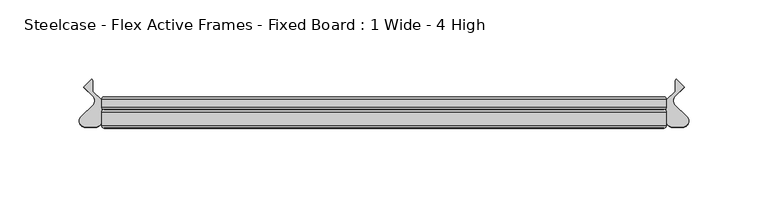
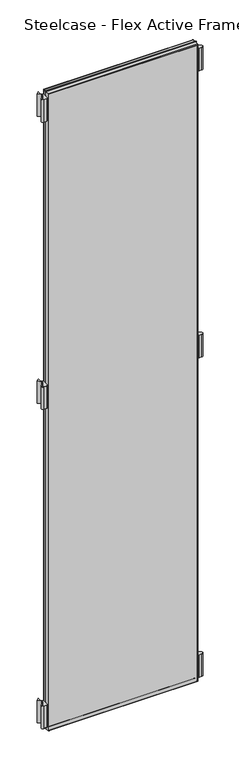
"""IFC4 building model written with IfcOpenShell, lengths in millimetres: furniture geometry, Steelcase - Flex Active Frames - Fixed Board : 1 Wide - 4 High."""

from ifc_helpers import new_model, si_unit, point, frame, frame_2d, origin, place, context, project, spatial, polyline, circle_curve, ellipse_curve, trimmed, segment, composite_curve, outline, extrude, source, transform, mapped, element, save
from ifc_brep_helpers import plane_surface, cylinder_surface, advanced_brep


def steelcase_flex_active_frames_fixed_board_1_wide_4_high_b1b8482d(model_context):
    return source(origin(), model_context, "Body", "SolidModel", [
        extrude(outline(composite_curve([segment(trimmed(circle_curve(frame_2d((366.4236763, -15.2513959)), 3.81), [point((369.1158703, -12.5554375))], [point((366.4236713, -19.0613959))], False, "CARTESIAN"), True, "CONTINUOUS"), segment(polyline([(366.4236713, -19.0613959), (359.917995, -19.0613873)]), True, "CONTINUOUS"), segment(trimmed(circle_curve(frame_2d((359.918, -15.2513873)), 3.81), [point((359.917995, -19.0613873))], [point((356.108, -15.2513873))], False, "CARTESIAN"), True, "CONTINUOUS"), segment(polyline([(356.108, -15.2513873), (356.108, -2.0686095), (361.6103592, 3.4250486), (361.6103592, 10.299411), (362.3163238, 11.2027231), (367.2700919, 6.2470172), (361.5330632, 0.3149559)]), True, "CONTINUOUS"), segment(trimmed(circle_curve(frame_2d((364.2717853, -2.3337233)), 3.81), [point((361.5330632, 0.3149559))], [point((361.5795914, -5.0296817))], True, "CARTESIAN"), True, "CONTINUOUS"), segment(polyline([(361.5795914, -5.0296817), (369.1158703, -12.5554375)]), True, "CONTINUOUS")], self_intersect=False)), frame((0.0, 0.0, 811.4997887), z_axis=(0.0, 0.0, 1.0), x_axis=(1.0, 0.0, 0.0)), (0.0, 0.0, 1.0), 55.9983261),
        extrude(outline(composite_curve([segment(polyline([(-13.0078703, -12.5554375), (-5.4715914, -5.0296817)]), True, "CONTINUOUS"), segment(trimmed(circle_curve(frame_2d((-8.1637853, -2.3337233)), 3.81), [point((-5.4715914, -5.0296817))], [point((-5.4250632, 0.3149559))], True, "CARTESIAN"), True, "CONTINUOUS"), segment(polyline([(-5.4250632, 0.3149559), (-11.1620919, 6.2470172), (-6.2083238, 11.2027231), (-5.5023592, 10.299411), (-5.5023592, 3.4250486), (0.0, -2.0686095), (0.0, -15.2513873)]), True, "CONTINUOUS"), segment(trimmed(circle_curve(frame_2d((-3.81, -15.2513873)), 3.81), [point((0.0, -15.2513873))], [point((-3.809995, -19.0613873))], False, "CARTESIAN"), True, "CONTINUOUS"), segment(polyline([(-3.809995, -19.0613873), (-10.3156713, -19.0613959)]), True, "CONTINUOUS"), segment(trimmed(circle_curve(frame_2d((-10.3156763, -15.2513959)), 3.81), [point((-10.3156713, -19.0613959))], [point((-13.0078703, -12.5554375))], False, "CARTESIAN"), True, "CONTINUOUS")], self_intersect=False)), frame((0.0, 0.0, 811.4997887), z_axis=(0.0, 0.0, 1.0), x_axis=(1.0, 0.0, 0.0)), (0.0, 0.0, 1.0), 55.9983261),
        extrude(outline(composite_curve([segment(trimmed(circle_curve(frame_2d((366.4236763, -15.2513959)), 3.81), [point((369.1158703, -12.5554375))], [point((366.4236713, -19.0613959))], False, "CARTESIAN"), True, "CONTINUOUS"), segment(polyline([(366.4236713, -19.0613959), (359.917995, -19.0613873)]), True, "CONTINUOUS"), segment(trimmed(circle_curve(frame_2d((359.918, -15.2513873)), 3.81), [point((359.917995, -19.0613873))], [point((356.108, -15.2513873))], False, "CARTESIAN"), True, "CONTINUOUS"), segment(polyline([(356.108, -15.2513873), (356.108, -2.0686095), (361.6103592, 3.4250486), (361.6103592, 10.299411), (362.3163238, 11.2027231), (367.2700919, 6.2470172), (361.5330632, 0.3149559)]), True, "CONTINUOUS"), segment(trimmed(circle_curve(frame_2d((364.2717853, -2.3337233)), 3.81), [point((361.5330632, 0.3149559))], [point((361.5795914, -5.0296817))], True, "CARTESIAN"), True, "CONTINUOUS"), segment(polyline([(361.5795914, -5.0296817), (369.1158703, -12.5554375)]), True, "CONTINUOUS")], self_intersect=False)), frame((0.0, 0.0, 9.5000015), z_axis=(0.0, 0.0, 1.0), x_axis=(1.0, 0.0, 0.0)), (0.0, 0.0, 1.0), 55.9983261),
        extrude(outline(composite_curve([segment(trimmed(circle_curve(frame_2d((366.4236763, -15.2513959)), 3.81), [point((369.1158703, -12.5554375))], [point((366.4236713, -19.0613959))], False, "CARTESIAN"), True, "CONTINUOUS"), segment(polyline([(366.4236713, -19.0613959), (359.917995, -19.0613873)]), True, "CONTINUOUS"), segment(trimmed(circle_curve(frame_2d((359.918, -15.2513873)), 3.81), [point((359.917995, -19.0613873))], [point((356.108, -15.2513873))], False, "CARTESIAN"), True, "CONTINUOUS"), segment(polyline([(356.108, -15.2513873), (356.108, -2.0686095), (361.6103592, 3.4250486), (361.6103592, 10.299411), (362.3163238, 11.2027231), (367.2700919, 6.2470172), (361.5330632, 0.3149559)]), True, "CONTINUOUS"), segment(trimmed(circle_curve(frame_2d((364.2717853, -2.3337233)), 3.81), [point((361.5330632, 0.3149559))], [point((361.5795914, -5.0296817))], True, "CARTESIAN"), True, "CONTINUOUS"), segment(polyline([(361.5795914, -5.0296817), (369.1158703, -12.5554375)]), True, "CONTINUOUS")], self_intersect=False)), frame((0.0, 0.0, 1532.4476006), z_axis=(0.0, 0.0, 1.0), x_axis=(1.0, 0.0, 0.0)), (0.0, 0.0, 1.0), 55.9983261),
        extrude(outline(composite_curve([segment(polyline([(-13.0078703, -12.5554375), (-5.4715914, -5.0296817)]), True, "CONTINUOUS"), segment(trimmed(circle_curve(frame_2d((-8.1637853, -2.3337233)), 3.81), [point((-5.4715914, -5.0296817))], [point((-5.4250632, 0.3149559))], True, "CARTESIAN"), True, "CONTINUOUS"), segment(polyline([(-5.4250632, 0.3149559), (-11.1620919, 6.2470172), (-6.2083238, 11.2027231), (-5.5023592, 10.299411), (-5.5023592, 3.4250486), (0.0, -2.0686095), (0.0, -15.2513873)]), True, "CONTINUOUS"), segment(trimmed(circle_curve(frame_2d((-3.81, -15.2513873)), 3.81), [point((0.0, -15.2513873))], [point((-3.809995, -19.0613873))], False, "CARTESIAN"), True, "CONTINUOUS"), segment(polyline([(-3.809995, -19.0613873), (-10.3156713, -19.0613959)]), True, "CONTINUOUS"), segment(trimmed(circle_curve(frame_2d((-10.3156763, -15.2513959)), 3.81), [point((-10.3156713, -19.0613959))], [point((-13.0078703, -12.5554375))], False, "CARTESIAN"), True, "CONTINUOUS")], self_intersect=False)), frame((0.0, 0.0, 9.5000015), z_axis=(0.0, 0.0, 1.0), x_axis=(1.0, 0.0, 0.0)), (0.0, 0.0, 1.0), 55.9983261),
        extrude(outline(composite_curve([segment(polyline([(-13.0078703, -12.5554375), (-5.4715914, -5.0296817)]), True, "CONTINUOUS"), segment(trimmed(circle_curve(frame_2d((-8.1637853, -2.3337233)), 3.81), [point((-5.4715914, -5.0296817))], [point((-5.4250632, 0.3149559))], True, "CARTESIAN"), True, "CONTINUOUS"), segment(polyline([(-5.4250632, 0.3149559), (-11.1620919, 6.2470172), (-6.2083238, 11.2027231), (-5.5023592, 10.299411), (-5.5023592, 3.4250486), (0.0, -2.0686095), (0.0, -15.2513873)]), True, "CONTINUOUS"), segment(trimmed(circle_curve(frame_2d((-3.81, -15.2513873)), 3.81), [point((0.0, -15.2513873))], [point((-3.809995, -19.0613873))], False, "CARTESIAN"), True, "CONTINUOUS"), segment(polyline([(-3.809995, -19.0613873), (-10.3156713, -19.0613959)]), True, "CONTINUOUS"), segment(trimmed(circle_curve(frame_2d((-10.3156763, -15.2513959)), 3.81), [point((-10.3156713, -19.0613959))], [point((-13.0078703, -12.5554375))], False, "CARTESIAN"), True, "CONTINUOUS")], self_intersect=False)), frame((0.0, 0.0, 1532.4476006), z_axis=(0.0, 0.0, 1.0), x_axis=(1.0, 0.0, 0.0)), (0.0, 0.0, 1.0), 55.9983261),
        extrude(outline(polyline([(354.6079947, -19.7016999), (1.5000053, -19.7016999), (1.5000053, -8.0000171), (354.6079947, -8.0000171), (354.6079947, -19.7016999)])), frame((0.0, 0.0, 1.5000053), z_axis=(0.0, 0.0, 1.0), x_axis=(1.0, 0.0, 0.0)), (0.0, 0.0, 1.0), 1596.9459893),
        advanced_brep(
        [(0.0, -9.5000224, 1599.946), (1.5000053, -8.0000171, 1598.4459947), (1.5000053, -8.0000171, 1.5000053), (0.0, -9.5000224, 0.0), (0.0, -18.2016946, 1599.946), (0.0, -18.2016946, 0.0), (1.5000053, -19.7016999, 1598.4459947), (1.5000053, -19.7016999, 1.5000053), (354.6079947, -8.0000171, 1.5000053), (356.108, -9.5000224, 0.0), (356.108, -18.2016946, 0.0), (354.6079947, -19.7016999, 1.5000053), (354.6079947, -8.0000171, 1598.4459947), (356.108, -9.5000224, 1599.946), (356.108, -18.2016946, 1599.946), (354.6079947, -19.7016999, 1598.4459947)],
        [
            (0, 1, ellipse_curve(frame((1.5000053, -9.5000224, 1598.4459947), z_axis=(-0.7071067811865475, 0.0, -0.7071067811865475), x_axis=(-0.7071067811865474, 0.0, 0.7071067811865476)), 2.1213279, 1.5000053)),
            (1, 2),
            (2, 3, ellipse_curve(frame((1.5000053, -9.5000224, 1.5000053), z_axis=(-0.7071067811865475, 0.0, 0.7071067811865475), x_axis=(0.7071067811865474, 0.0, 0.7071067811865476)), 2.1213279, 1.5000053)),
            (3, 0),
            (4, 0),
            (3, 5),
            (5, 4),
            (1, 6),
            (6, 7),
            (7, 2),
            (2, 8),
            (8, 9, ellipse_curve(frame((354.6079947, -9.5000224, 1.5000053), z_axis=(-0.7071067811865475, 0.0, -0.7071067811865475), x_axis=(-0.7071067811865476, 0.0, 0.7071067811865474)), 2.1213279, 1.5000053)),
            (9, 3),
            (9, 10),
            (10, 5),
            (7, 11),
            (11, 8),
            (8, 12),
            (12, 13, ellipse_curve(frame((354.6079947, -9.5000224, 1598.4459947), z_axis=(0.7071067811865475, 0.0, -0.7071067811865475), x_axis=(-0.7071067811865474, 0.0, -0.7071067811865476)), 2.1213279, 1.5000053)),
            (13, 9),
            (13, 14),
            (14, 10),
            (11, 15),
            (15, 12),
            (12, 1),
            (0, 13),
            (4, 14),
            (15, 6),
            (6, 4, ellipse_curve(frame((1.5000053, -18.2016946, 1598.4459947), z_axis=(-0.7071067811865475, 0.0, -0.7071067811865475), x_axis=(-0.7071067811865474, 0.0, 0.7071067811865476)), 2.1213279, 1.5000053)),
            (5, 7, ellipse_curve(frame((1.5000053, -18.2016946, 1.5000053), z_axis=(-0.7071067811865475, 0.0, 0.7071067811865475), x_axis=(0.7071067811865474, 0.0, 0.7071067811865476)), 2.1213279, 1.5000053)),
            (10, 11, ellipse_curve(frame((354.6079947, -18.2016946, 1.5000053), z_axis=(-0.7071067811865475, 0.0, -0.7071067811865475), x_axis=(-0.7071067811865476, 0.0, 0.7071067811865474)), 2.1213279, 1.5000053)),
            (14, 15, ellipse_curve(frame((354.6079947, -18.2016946, 1598.4459947), z_axis=(0.7071067811865475, 0.0, -0.7071067811865475), x_axis=(-0.7071067811865474, 0.0, -0.7071067811865476)), 2.1213279, 1.5000053)),
        ],
        [
            cylinder_surface(frame((1.5000053, -9.5000224, 1599.946), z_axis=(0.0, 0.0, 1.0), x_axis=(1.0, 0.0, 0.0)), 1.5000053),
            plane_surface(frame((0.0, -9.5000224, 1599.946), z_axis=(-1.0, 0.0, 0.0), x_axis=(0.0, 0.0, -1.0))),
            plane_surface(frame((1.5000053, -19.7016999, 1598.4459947), z_axis=(1.0, 0.0, 0.0), x_axis=(0.0, 0.0, -1.0))),
            cylinder_surface(frame((0.0, -9.5000224, 1.5000053), z_axis=(-1.0, 0.0, 0.0), x_axis=(0.0, 0.0, 1.0)), 1.5000053),
            plane_surface(frame((0.0, -9.5000224, 0.0), z_axis=(0.0, 0.0, -1.0), x_axis=(1.0, 0.0, 0.0))),
            plane_surface(frame((1.5000053, -19.7016999, 1.5000053), z_axis=(0.0, 0.0, 1.0), x_axis=(1.0, 0.0, 0.0))),
            cylinder_surface(frame((354.6079947, -9.5000224, 0.0), z_axis=(0.0, 0.0, -1.0), x_axis=(-1.0, 0.0, 0.0)), 1.5000053),
            plane_surface(frame((356.108, -9.5000224, 0.0), z_axis=(1.0, 0.0, 0.0), x_axis=(0.0, 0.0, 1.0))),
            plane_surface(frame((354.6079947, -19.7016999, 1.5000053), z_axis=(-1.0, 0.0, 0.0), x_axis=(0.0, 0.0, 1.0))),
            cylinder_surface(frame((356.108, -9.5000224, 1598.4459947), z_axis=(1.0, 0.0, 0.0), x_axis=(0.0, 0.0, -1.0)), 1.5000053),
            plane_surface(frame((356.108, -9.5000224, 1599.946), z_axis=(0.0, 0.0, 1.0), x_axis=(-1.0, 0.0, 0.0))),
            plane_surface(frame((354.6079947, -19.7016999, 1598.4459947), z_axis=(0.0, 0.0, -1.0), x_axis=(-1.0, 0.0, 0.0))),
            cylinder_surface(frame((1.5000053, -18.2016946, 1599.946), z_axis=(0.0, 0.0, 1.0), x_axis=(1.0, 0.0, 0.0)), 1.5000053),
            cylinder_surface(frame((0.0, -18.2016946, 1.5000053), z_axis=(-1.0, 0.0, 0.0), x_axis=(0.0, 0.0, 1.0)), 1.5000053),
            cylinder_surface(frame((354.6079947, -18.2016946, 0.0), z_axis=(0.0, 0.0, -1.0), x_axis=(-1.0, 0.0, 0.0)), 1.5000053),
            cylinder_surface(frame((356.108, -18.2016946, 1598.4459947), z_axis=(1.0, 0.0, 0.0), x_axis=(0.0, 0.0, -1.0)), 1.5000053),
        ],
        [
            (0, [[1, 2, 3, 4]]),
            (1, [[5, -4, 6, 7]]),
            (2, [[8, 9, 10, -2]]),
            (3, [[-3, 11, 12, 13]]),
            (4, [[-6, -13, 14, 15]]),
            (5, [[-10, 16, 17, -11]]),
            (6, [[-12, 18, 19, 20]]),
            (7, [[-14, -20, 21, 22]]),
            (8, [[-17, 23, 24, -18]]),
            (9, [[-19, 25, -1, 26]]),
            (10, [[-21, -26, -5, 27]]),
            (11, [[-24, 28, -8, -25]]),
            (12, [[29, -7, 30, -9]]),
            (13, [[-30, -15, 31, -16]]),
            (14, [[-31, -22, 32, -23]]),
            (15, [[-32, -27, -29, -28]]),
        ],
    ),
        extrude(outline(polyline([(354.6079947, -8.0000171), (1.5000053, -8.0000171), (1.5000053, 0.0), (354.6079947, 0.0), (354.6079947, -8.0000171)])), frame((0.0, 0.0, 1.5000053), z_axis=(0.0, 0.0, 1.0), x_axis=(1.0, 0.0, 0.0)), (0.0, 0.0, 1.0), 1596.9459893),
        advanced_brep(
        [(0.0, -1.5000053, 1599.946), (1.5000053, 0.0, 1598.4459947), (1.5000053, 0.0, 1.5000053), (0.0, -1.5000053, 0.0), (0.0, -6.5000117, 1599.946), (0.0, -6.5000117, 0.0), (1.5000053, -8.0000171, 1598.4459947), (1.5000053, -8.0000171, 1.5000053), (354.6079947, 0.0, 1.5000053), (356.108, -1.5000053, 0.0), (356.108, -6.5000117, 0.0), (354.6079947, -8.0000171, 1.5000053), (354.6079947, 0.0, 1598.4459947), (356.108, -1.5000053, 1599.946), (356.108, -6.5000117, 1599.946), (354.6079947, -8.0000171, 1598.4459947)],
        [
            (0, 1, ellipse_curve(frame((1.5000053, -1.5000053, 1598.4459947), z_axis=(-0.7071067811865475, 0.0, -0.7071067811865475), x_axis=(-0.7071067811865474, 0.0, 0.7071067811865476)), 2.1213279, 1.5000053)),
            (1, 2),
            (2, 3, ellipse_curve(frame((1.5000053, -1.5000053, 1.5000053), z_axis=(-0.7071067811865475, 0.0, 0.7071067811865475), x_axis=(0.7071067811865474, 0.0, 0.7071067811865476)), 2.1213279, 1.5000053)),
            (3, 0),
            (4, 0),
            (3, 5),
            (5, 4),
            (6, 4, ellipse_curve(frame((1.5000053, -6.5000117, 1598.4459947), z_axis=(-0.7071067811865475, 0.0, -0.7071067811865475), x_axis=(-0.7071067811865474, 0.0, 0.7071067811865476)), 2.1213279, 1.5000053)),
            (5, 7, ellipse_curve(frame((1.5000053, -6.5000117, 1.5000053), z_axis=(-0.7071067811865475, 0.0, 0.7071067811865475), x_axis=(0.7071067811865474, 0.0, 0.7071067811865476)), 2.1213279, 1.5000053)),
            (7, 6),
            (1, 6),
            (7, 2),
            (2, 8),
            (8, 9, ellipse_curve(frame((354.6079947, -1.5000053, 1.5000053), z_axis=(-0.7071067811865475, 0.0, -0.7071067811865475), x_axis=(-0.7071067811865476, 0.0, 0.7071067811865474)), 2.1213279, 1.5000053)),
            (9, 3),
            (9, 10),
            (10, 5),
            (10, 11, ellipse_curve(frame((354.6079947, -6.5000117, 1.5000053), z_axis=(-0.7071067811865475, 0.0, -0.7071067811865475), x_axis=(-0.7071067811865476, 0.0, 0.7071067811865474)), 2.1213279, 1.5000053)),
            (11, 7),
            (11, 8),
            (8, 12),
            (12, 13, ellipse_curve(frame((354.6079947, -1.5000053, 1598.4459947), z_axis=(0.7071067811865475, 0.0, -0.7071067811865475), x_axis=(-0.7071067811865474, 0.0, -0.7071067811865476)), 2.1213279, 1.5000053)),
            (13, 9),
            (13, 14),
            (14, 10),
            (14, 15, ellipse_curve(frame((354.6079947, -6.5000117, 1598.4459947), z_axis=(0.7071067811865475, 0.0, -0.7071067811865475), x_axis=(-0.7071067811865474, 0.0, -0.7071067811865476)), 2.1213279, 1.5000053)),
            (15, 11),
            (15, 12),
            (12, 1),
            (0, 13),
            (4, 14),
            (6, 15),
        ],
        [
            cylinder_surface(frame((1.5000053, -1.5000053, 1599.946), z_axis=(0.0, 0.0, 1.0), x_axis=(1.0, 0.0, 0.0)), 1.5000053),
            plane_surface(frame((0.0, -1.5000053, 1599.946), z_axis=(-1.0, 0.0, 0.0), x_axis=(0.0, 0.0, -1.0))),
            cylinder_surface(frame((1.5000053, -6.5000117, 1599.946), z_axis=(0.0, 0.0, 1.0), x_axis=(1.0, 0.0, 0.0)), 1.5000053),
            plane_surface(frame((1.5000053, -8.0000171, 1598.4459947), z_axis=(1.0, 0.0, 0.0), x_axis=(0.0, 0.0, -1.0))),
            cylinder_surface(frame((0.0, -1.5000053, 1.5000053), z_axis=(-1.0, 0.0, 0.0), x_axis=(0.0, 0.0, 1.0)), 1.5000053),
            plane_surface(frame((0.0, -1.5000053, 0.0), z_axis=(0.0, 0.0, -1.0), x_axis=(1.0, 0.0, 0.0))),
            cylinder_surface(frame((0.0, -6.5000117, 1.5000053), z_axis=(-1.0, 0.0, 0.0), x_axis=(0.0, 0.0, 1.0)), 1.5000053),
            plane_surface(frame((1.5000053, -8.0000171, 1.5000053), z_axis=(0.0, 0.0, 1.0), x_axis=(1.0, 0.0, 0.0))),
            cylinder_surface(frame((354.6079947, -1.5000053, 0.0), z_axis=(0.0, 0.0, -1.0), x_axis=(-1.0, 0.0, 0.0)), 1.5000053),
            plane_surface(frame((356.108, -1.5000053, 0.0), z_axis=(1.0, 0.0, 0.0), x_axis=(0.0, 0.0, 1.0))),
            cylinder_surface(frame((354.6079947, -6.5000117, 0.0), z_axis=(0.0, 0.0, -1.0), x_axis=(-1.0, 0.0, 0.0)), 1.5000053),
            plane_surface(frame((354.6079947, -8.0000171, 1.5000053), z_axis=(-1.0, 0.0, 0.0), x_axis=(0.0, 0.0, 1.0))),
            cylinder_surface(frame((356.108, -1.5000053, 1598.4459947), z_axis=(1.0, 0.0, 0.0), x_axis=(0.0, 0.0, -1.0)), 1.5000053),
            plane_surface(frame((356.108, -1.5000053, 1599.946), z_axis=(0.0, 0.0, 1.0), x_axis=(-1.0, 0.0, 0.0))),
            cylinder_surface(frame((356.108, -6.5000117, 1598.4459947), z_axis=(1.0, 0.0, 0.0), x_axis=(0.0, 0.0, -1.0)), 1.5000053),
            plane_surface(frame((354.6079947, -8.0000171, 1598.4459947), z_axis=(0.0, 0.0, -1.0), x_axis=(-1.0, 0.0, 0.0))),
        ],
        [
            (0, [[1, 2, 3, 4]]),
            (1, [[5, -4, 6, 7]]),
            (2, [[8, -7, 9, 10]]),
            (3, [[11, -10, 12, -2]]),
            (4, [[-3, 13, 14, 15]]),
            (5, [[-6, -15, 16, 17]]),
            (6, [[-9, -17, 18, 19]]),
            (7, [[-12, -19, 20, -13]]),
            (8, [[-14, 21, 22, 23]]),
            (9, [[-16, -23, 24, 25]]),
            (10, [[-18, -25, 26, 27]]),
            (11, [[-20, -27, 28, -21]]),
            (12, [[-22, 29, -1, 30]]),
            (13, [[-24, -30, -5, 31]]),
            (14, [[-26, -31, -8, 32]]),
            (15, [[-28, -32, -11, -29]]),
        ],
    ),
    ])


if __name__ == "__main__":
    model = new_model("IFC4")
    model_context = context("Model", 3, world=origin())
    ifc_project = project(units=[si_unit("LENGTHUNIT", "METRE", prefix="MILLI")], contexts=[model_context])
    site = spatial("IfcSite", under=ifc_project)
    building = spatial("IfcBuilding", under=site)
    placement = place(None, origin())
    steelcase_flex_active_frames_fixed_board_1_wide_4_high_shape = steelcase_flex_active_frames_fixed_board_1_wide_4_high_b1b8482d(model_context)
    element("IfcFurniture", 1, ObjectType="Steelcase - Flex Active Frames - Fixed Board : 1 Wide - 4 High", at=placement, inside=building, context=model_context, shape_type="MappedRepresentation", body=[
        mapped(steelcase_flex_active_frames_fixed_board_1_wide_4_high_shape, transform((0.0, 0.0, 0.0), x_axis=(1.0, 0.0, 0.0), y_axis=(0.0, 1.0, 0.0), z_axis=(0.0, 0.0, 1.0))),
    ])
    save(model, "model.ifc")
